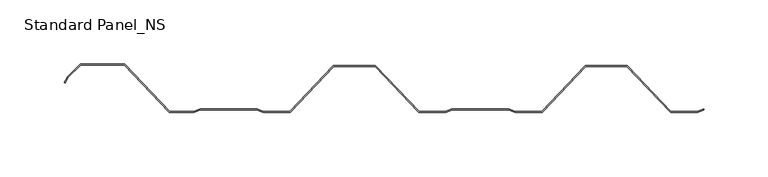
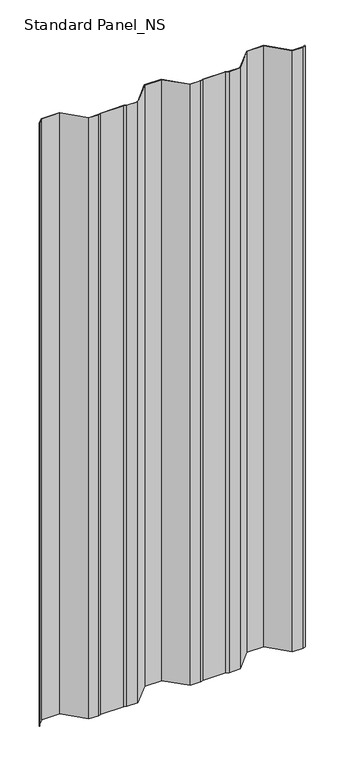
"""IFC4 building model written with IfcOpenShell, lengths in millimetres: proxy geometry, Standard Panel_NS."""

from ifc_helpers import new_model, si_unit, origin, place, context, project, spatial, faceted_brep, source, transform, mapped, element, save


def standard_panel_ns_87a4ca39(model_context):
    return source(origin(), model_context, "Body", "Brep", [
        faceted_brep([(233.9484066, 2.8, 1219.2), (228.9484066, 0.8, 1219.2), (208.4473097, 0.8, 1219.2), (174.4473097, 36.8, 1219.2), (141.7576353, 36.8, 1219.2), (107.7576353, 0.8, 1219.2), (87.2565384, 0.8, 1219.2), (82.2565384, 2.8, 1219.2), (37.9484066, 2.8, 1219.2), (32.9484066, 0.8, 1219.2), (12.4473097, 0.8, 1219.2), (-21.5526903, 36.8, 1219.2), (-54.2423647, 36.8, 1219.2), (-88.2423647, 0.8, 1219.2), (-108.7434616, 0.8, 1219.2), (-113.7434616, 2.8, 1219.2), (-158.0515934, 2.8, 1219.2), (-163.0515934, 0.8, 1219.2), (-181.6776903, 0.8, 1219.2), (-216.6221348, 37.8, 1219.2), (-251.4288984, 37.8, 1219.2), (-261.2229682, 28.0059302, 1219.2), (-263.7756292, 23.5845916, 1219.2), (-263.0828089, 23.1845916, 1219.2), (-260.5828089, 27.5147186, 1219.2), (-251.0975275, 37.0, 1219.2), (-216.9531315, 37.0, 1219.2), (-182.0225275, 0.0, 1219.2), (-162.8975275, 0.0, 1219.2), (-157.8975275, 2.0, 1219.2), (-113.8975275, 2.0, 1219.2), (-108.8975275, 0.0, 1219.2), (-87.8975275, 0.0, 1219.2), (-53.8975275, 36.0, 1219.2), (-21.8975275, 36.0, 1219.2), (12.1024725, 0.0, 1219.2), (33.1024725, 0.0, 1219.2), (38.1024725, 2.0, 1219.2), (82.1024725, 2.0, 1219.2), (87.1024725, 0.0, 1219.2), (108.1024725, 0.0, 1219.2), (142.1024725, 36.0, 1219.2), (174.1024725, 36.0, 1219.2), (208.1024725, 0.0, 1219.2), (229.1024725, 0.0, 1219.2), (233.9042607, 1.9207153, 1219.2), (229.1024725, 0.0, 0.0), (208.1024725, 0.0, 0.0), (174.1024725, 36.0, 0.0), (142.1024725, 36.0, 0.0), (108.1024725, 0.0, 0.0), (87.1024725, 0.0, 0.0), (82.1024725, 2.0, 0.0), (38.1024725, 2.0, 0.0), (33.1024725, 0.0, 0.0), (12.1024725, 0.0, 0.0), (-21.8975275, 36.0, 0.0), (-53.8975275, 36.0, 0.0), (-87.8975275, 0.0, 0.0), (-108.8975275, 0.0, 0.0), (-113.8975275, 2.0, 0.0), (-157.8975275, 2.0, 0.0), (-162.8975275, 0.0, 0.0), (-182.0225275, 0.0, 0.0), (-216.9531315, 37.0, 0.0), (-251.0975275, 37.0, 0.0), (-260.5828089, 27.5147186, 0.0), (-263.0828089, 23.1845916, 0.0), (-263.7756292, 23.5845916, 0.0), (-261.2229682, 28.0059302, 0.0), (-251.4288984, 37.8, 0.0), (-216.6221348, 37.8, 0.0), (-181.6776903, 0.8, 0.0), (-163.0515934, 0.8, 0.0), (-158.0515934, 2.8, 0.0), (-113.7434616, 2.8, 0.0), (-108.7434616, 0.8, 0.0), (-88.2423647, 0.8, 0.0), (-54.2423647, 36.8, 0.0), (-21.5526903, 36.8, 0.0), (12.4473097, 0.8, 0.0), (32.9484066, 0.8, 0.0), (37.9484066, 2.8, 0.0), (82.2565384, 2.8, 0.0), (87.2565384, 0.8, 0.0), (107.7576353, 0.8, 0.0), (141.7576353, 36.8, 0.0), (174.4473097, 36.8, 0.0), (208.4473097, 0.8, 0.0), (228.9484066, 0.8, 0.0), (233.9484066, 2.8, 0.0), (233.9042607, 1.9207153, 0.0)], [[[0, 1, 2, 3, 4, 5, 6, 7, 8, 9, 10, 11, 12, 13, 14, 15, 16, 17, 18, 19, 20, 21, 22, 23, 24, 25, 26, 27, 28, 29, 30, 31, 32, 33, 34, 35, 36, 37, 38, 39, 40, 41, 42, 43, 44, 45]], [[46, 47, 48, 49, 50, 51, 52, 53, 54, 55, 56, 57, 58, 59, 60, 61, 62, 63, 64, 65, 66, 67, 68, 69, 70, 71, 72, 73, 74, 75, 76, 77, 78, 79, 80, 81, 82, 83, 84, 85, 86, 87, 88, 89, 90, 91]], [[39, 38, 52, 51]], [[38, 37, 53, 52]], [[37, 36, 54, 53]], [[36, 35, 55, 54]], [[35, 34, 56, 55]], [[0, 45, 91, 90]], [[16, 15, 75, 74]], [[15, 14, 76, 75]], [[14, 13, 77, 76]], [[13, 12, 78, 77]], [[12, 11, 79, 78]], [[11, 10, 80, 79]], [[44, 46, 91, 45]], [[44, 43, 47, 46]], [[43, 42, 48, 47]], [[42, 41, 49, 48]], [[41, 40, 50, 49]], [[40, 39, 51, 50]], [[34, 33, 57, 56]], [[33, 32, 58, 57]], [[32, 31, 59, 58]], [[31, 30, 60, 59]], [[30, 29, 61, 60]], [[29, 28, 62, 61]], [[28, 27, 63, 62]], [[27, 26, 64, 63]], [[26, 25, 65, 64]], [[25, 24, 66, 65]], [[24, 23, 67, 66]], [[23, 22, 68, 67]], [[22, 21, 69, 68]], [[21, 20, 70, 69]], [[20, 19, 71, 70]], [[19, 18, 72, 71]], [[18, 17, 73, 72]], [[17, 16, 74, 73]], [[10, 9, 81, 80]], [[9, 8, 82, 81]], [[8, 7, 83, 82]], [[7, 6, 84, 83]], [[6, 5, 85, 84]], [[5, 4, 86, 85]], [[4, 3, 87, 86]], [[3, 2, 88, 87]], [[2, 1, 89, 88]], [[1, 0, 90, 89]]]),
    ])


if __name__ == "__main__":
    model = new_model("IFC4")
    model_context = context("Model", 3, world=origin())
    ifc_project = project(units=[si_unit("LENGTHUNIT", "METRE", prefix="MILLI")], contexts=[model_context])
    site = spatial("IfcSite", under=ifc_project)
    building = spatial("IfcBuilding", under=site)
    placement = place(None, origin())
    standard_panel_ns_shape = standard_panel_ns_87a4ca39(model_context)
    element("IfcBuildingElementProxy", 1, Name="Standard Panel_NS", ObjectType="Standard Panel_NS", at=placement, inside=building, context=model_context, shape_type="MappedRepresentation", body=[
        mapped(standard_panel_ns_shape, transform((0.0, 0.0, 0.0), x_axis=(1.0, 0.0, 0.0), y_axis=(0.0, 1.0, 0.0), z_axis=(0.0, 0.0, 1.0))),
    ])
    save(model, "model.ifc")
